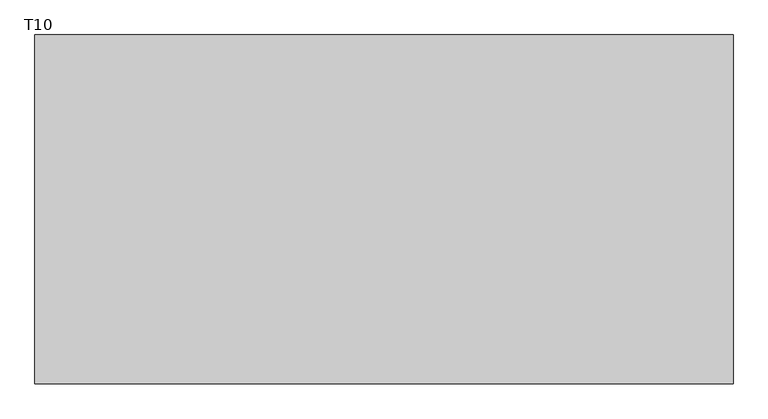
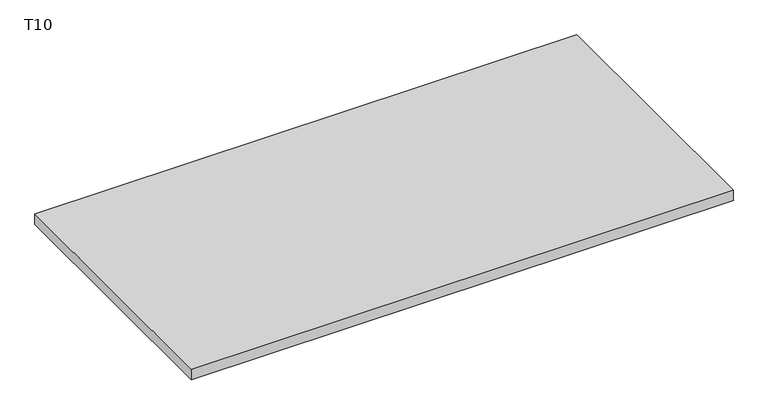
"""IFC4 building model written with IfcOpenShell, lengths in millimetres: furniture geometry, T10."""

from ifc_helpers import new_model, si_unit, frame, origin, place, context, project, spatial, polyline, outline, extrude, source, transform, mapped, element, save


def t10_cbb1616e(model_context):
    return source(origin(), model_context, "Body", "SweptSolid", [
        extrude(outline(polyline([(600.0, 300.0), (600.0, -300.0), (-600.0, -300.0), (-600.0, 300.0), (600.0, 300.0)])), frame((0.0, 0.0, 700.0), z_axis=(0.0, 0.0, 1.0), x_axis=(1.0, 0.0, 0.0)), (0.0, 0.0, 1.0), 25.0),
    ])


if __name__ == "__main__":
    model = new_model("IFC4")
    model_context = context("Model", 3, world=origin())
    ifc_project = project(units=[si_unit("LENGTHUNIT", "METRE", prefix="MILLI")], contexts=[model_context])
    site = spatial("IfcSite", under=ifc_project)
    building = spatial("IfcBuilding", under=site)
    placement = place(None, origin())
    t10_shape = t10_cbb1616e(model_context)
    element("IfcFurniture", 1, ObjectType="T10", at=placement, inside=building, context=model_context, shape_type="MappedRepresentation", body=[
        mapped(t10_shape, transform((0.0, 0.0, 0.0), x_axis=(1.0, 0.0, 0.0), y_axis=(0.0, 1.0, 0.0), z_axis=(0.0, 0.0, 1.0))),
    ])
    save(model, "model.ifc")
